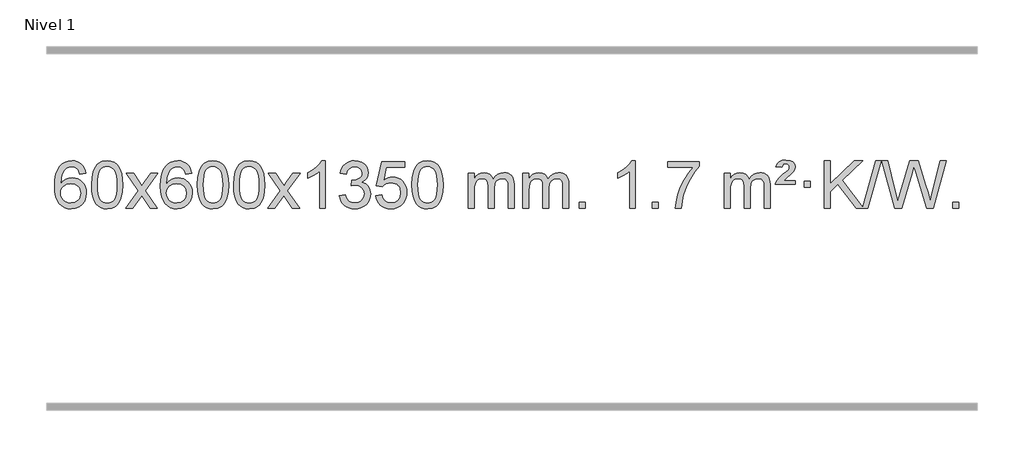
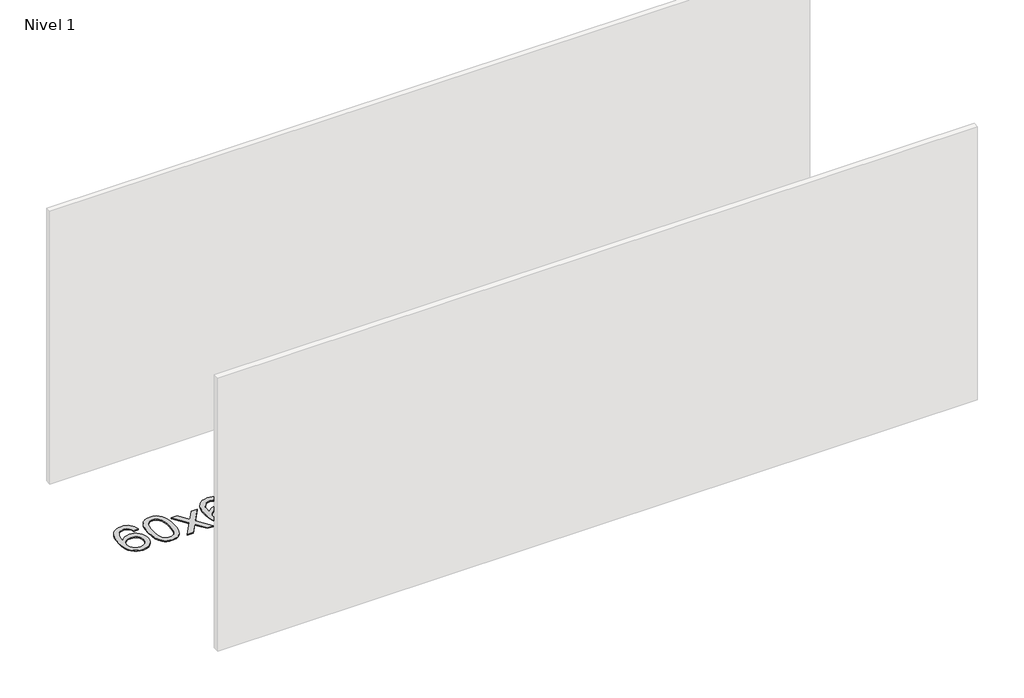
# One storey, part 13 of 16: 1 proxy.
"""IFC4 building model written with IfcOpenShell, lengths in millimetres."""

from ifc_helpers import new_model, si_unit, origin, origin_with_axes, place, context, project, spatial, polyline, outline, extrude, element, save

model = new_model("IFC4")

# Units and contexts
model_context = context("Model", 3, world=origin())
ifc_project = project(units=[si_unit("LENGTHUNIT", "METRE", prefix="MILLI")], contexts=[model_context])

# Site, building, storey
site = spatial("IfcSite", under=ifc_project)
building = spatial("IfcBuilding", under=site)
storey = spatial("IfcBuildingStorey", under=building, Name="Nivel 1", Elevation=0.0)

# Proxy
placement = place(None, origin())
element("IfcBuildingElementProxy", 1, Name="Texto de modelo 1", ObjectType="Texto de modelo 1", at=placement, inside=storey, context=model_context, shape_type="SweptSolid", body=[
    extrude(outline(polyline([(101.2495843, -3100.4890419), (51.0214292, -3106.7675613), (42.9280253, -3081.874213), (31.9896673, -3064.8780648), (9.2055091, -3049.2062918), (-18.3365896, -3043.9823675), (-41.6848336, -3047.0235253), (-63.6596514, -3056.1469988), (-82.5319978, -3075.3627017), (-97.9462534, -3101.8134171), (-108.3573138, -3139.227016), (-112.2200748, -3191.3313693), (-92.0724042, -3167.8237098), (-67.9270826, -3151.2567573), (-41.1330106, -3141.434308), (-13.0390889, -3138.1601582), (11.09397, -3140.398107), (33.3630935, -3147.1119534), (53.7682815, -3158.3016975), (72.309534, -3173.9673391), (87.7176582, -3193.1769106), (98.7234613, -3214.9984443), (105.3269431, -3239.4319401), (107.5281037, -3266.4773982), (103.3832999, -3302.4439945), (90.9488884, -3335.786366), (71.254939, -3364.0642287), (45.331521, -3384.8372987), (14.355857, -3397.602804), (-20.4948306, -3401.8579724), (-50.4373594, -3399.0375437), (-77.4797517, -3390.5762579), (-101.6220076, -3376.4741147), (-122.8641272, -3356.7311143), (-140.1821721, -3330.5133908), (-152.5522042, -3296.9870783), (-159.9742234, -3256.1521768), (-162.4482298, -3208.0086864), (-159.7013776, -3154.0342663), (-151.4608209, -3107.9693092), (-137.7265598, -3069.8138149), (-118.4985942, -3039.5677835), (-97.6580791, -3019.5243462), (-73.4943634, -3005.2076052), (-46.007447, -2996.6175606), (-15.1973299, -2993.7542124), (7.9363162, -2995.5261773), (28.8749331, -3000.8420722), (47.6185208, -3009.7018969), (64.1670792, -3022.1056515), (78.0730186, -3037.6364031), (88.8887493, -3055.8772186), (96.6142712, -3076.8280983), (101.2495843, -3100.4890419)]), holes=[polyline([(-112.2200748, -3265.6925832), (-109.313807, -3287.9494439), (-100.5950037, -3309.2007605), (-87.0569463, -3327.472233), (-69.6929161, -3340.7895612), (-48.7359051, -3348.9197533), (-24.4189053, -3351.6298173), (8.7272625, -3346.0134855), (22.642399, -3338.9930708), (34.7855705, -3329.1644901), (44.6356109, -3316.9262824), (51.6713541, -3302.6769865), (57.2999486, -3268.1451299), (51.7449305, -3234.9989621), (44.8011578, -3221.3781312), (35.0798761, -3209.725469), (22.8999164, -3200.3904634), (8.5801097, -3193.7226022), (-26.4790444, -3188.3883133), (-59.5761613, -3193.7226022), (-87.25315, -3209.725469), (-98.1761796, -3221.2248471), (-105.9783436, -3234.3858254), (-110.659642, -3249.2084042), (-112.2200748, -3265.6925832)])]), origin_with_axes(), (0.0, 0.0, 1.0), 10.0),
    extrude(outline(polyline([(151.4777394, -3197.9041943), (155.1688221, -3133.5861588), (166.2420701, -3082.2911459), (184.5871189, -3043.2343407), (196.4451819, -3028.0009605), (210.0936039, -3015.6309284), (225.5783702, -3006.0598651), (242.9454661, -2999.2233914), (283.3266464, -2993.7542124), (314.277785, -2996.991574), (341.9915619, -3006.7036586), (365.1681276, -3022.5103217), (382.5076323, -3044.0314184), (395.6042314, -3071.0830078), (406.05208, -3103.4811488), (412.8946851, -3144.6226186), (415.1755535, -3197.9041943), (411.521259, -3261.8543477), (400.5583756, -3313.0267333), (382.3236913, -3352.1203266), (370.4932195, -3367.3996922), (356.8539945, -3379.8341036), (341.3508341, -3389.4695462), (323.928556, -3396.3520052), (283.3266464, -3401.8579724), (255.6619204, -3399.4667394), (231.1364541, -3392.2930405), (209.7502474, -3380.3368757), (191.5033004, -3363.5982449), (173.9921175, -3333.3399508), (161.4841296, -3295.6381776), (153.9793369, -3250.4929255), (151.4777394, -3197.9041943)]), holes=[polyline([(201.7058944, -3197.8060924), (203.1774224, -3241.4706195), (207.5920064, -3276.8148822), (214.9496463, -3303.8388804), (225.2503421, -3322.5426142), (237.709279, -3335.2682656), (251.5416421, -3344.3580165), (266.7474312, -3349.8118671), (283.3266464, -3351.6298173), (299.9058617, -3349.8057357), (315.1116508, -3344.3334911), (328.9440138, -3335.2130833), (341.4029507, -3322.4445124), (351.7036466, -3303.7101217), (359.0612865, -3276.6922549), (363.4758705, -3241.3909118), (364.9473984, -3197.8060924), (363.5249214, -3155.2973278), (359.2574902, -3120.5753989), (352.145105, -3093.6403055), (342.1877657, -3074.4920476), (329.9372952, -3061.1440625), (315.9455167, -3051.6097875), (300.21243, -3045.8892225), (282.7380352, -3043.9823675), (266.2446591, -3045.6623619), (251.2963874, -3050.7023452), (237.89322, -3059.1023175), (226.0351571, -3070.8622786), (215.3911047, -3091.708925), (207.7882101, -3119.8151094), (203.2264734, -3155.1808319), (201.7058944, -3197.8060924)])]), origin_with_axes(), (0.0, 0.0, 1.0), 10.0),
    extrude(outline(polyline([(440.2896311, -3395.579453), (547.6130718, -3247.2494325), (446.5681504, -3100.4890419), (506.9988995, -3100.4890419), (555.7555266, -3171.122385), (578.5151594, -3204.4770192), (598.2336343, -3177.2047007), (653.7592901, -3100.4890419), (714.1900392, -3100.4890419), (608.0438209, -3247.2494325), (710.2659646, -3395.579453), (649.8352155, -3395.579453), (588.3253459, -3306.4048574), (577.0436314, -3290.1199477), (500.7203801, -3395.579453), (440.2896311, -3395.579453)])), origin_with_axes(), (0.0, 0.0, 1.0), 10.0),
    extrude(outline(polyline([(999.0778563, -3100.4890419), (948.8497012, -3106.7675613), (940.7562973, -3081.874213), (929.8179393, -3064.8780648), (907.0337811, -3049.2062918), (879.4916824, -3043.9823675), (856.1434384, -3047.0235253), (834.1686206, -3056.1469988), (815.2962742, -3075.3627017), (799.8820186, -3101.8134171), (789.4709581, -3139.227016), (785.6081972, -3191.3313693), (805.7558678, -3167.8237098), (829.9011894, -3151.2567573), (856.6952614, -3141.434308), (884.7891831, -3138.1601582), (908.922242, -3140.398107), (931.1913654, -3147.1119534), (951.5965534, -3158.3016975), (970.137806, -3173.9673391), (985.5459302, -3193.1769106), (996.5517332, -3214.9984443), (1003.155215, -3239.4319401), (1005.3563756, -3266.4773982), (1001.2115718, -3302.4439945), (988.7771604, -3335.786366), (969.0832109, -3364.0642287), (943.159793, -3384.8372987), (912.184129, -3397.602804), (877.3334413, -3401.8579724), (847.3909126, -3399.0375437), (820.3485203, -3390.5762579), (796.2062643, -3376.4741147), (774.9641448, -3356.7311143), (757.6460999, -3330.5133908), (745.2760678, -3296.9870783), (737.8540485, -3256.1521768), (735.3800421, -3208.0086864), (738.1268943, -3154.0342663), (746.367451, -3107.9693092), (760.1017122, -3069.8138149), (779.3296778, -3039.5677835), (800.1701928, -3019.5243462), (824.3339085, -3005.2076052), (851.820825, -2996.6175606), (882.6309421, -2993.7542124), (905.7645882, -2995.5261773), (926.7032051, -3000.8420722), (945.4467927, -3009.7018969), (961.9953511, -3022.1056515), (975.9012906, -3037.6364031), (986.7170212, -3055.8772186), (994.4425431, -3076.8280983), (999.0778563, -3100.4890419)]), holes=[polyline([(785.6081972, -3265.6925832), (788.514465, -3287.9494439), (797.2332682, -3309.2007605), (810.7713257, -3327.472233), (828.1353558, -3340.7895612), (849.0923668, -3348.9197533), (873.4093667, -3351.6298173), (906.5555345, -3346.0134855), (920.4706709, -3338.9930708), (932.6138425, -3329.1644901), (942.4638829, -3316.9262824), (949.499626, -3302.6769865), (955.1282206, -3268.1451299), (949.5732024, -3234.9989621), (942.6294298, -3221.3781312), (932.9081481, -3209.725469), (920.7281883, -3200.3904634), (906.4083817, -3193.7226022), (871.3492275, -3188.3883133), (838.2521107, -3193.7226022), (810.5751219, -3209.725469), (799.6520924, -3221.2248471), (791.8499284, -3234.3858254), (787.16863, -3249.2084042), (785.6081972, -3265.6925832)])]), origin_with_axes(), (0.0, 0.0, 1.0), 10.0),
    extrude(outline(polyline([(1049.3060113, -3197.9041943), (1052.997094, -3133.5861588), (1064.0703421, -3082.2911459), (1082.4153909, -3043.2343407), (1094.2734539, -3028.0009605), (1107.9218759, -3015.6309284), (1123.4066422, -3006.0598651), (1140.7737381, -2999.2233914), (1181.1549184, -2993.7542124), (1212.1060569, -2996.991574), (1239.8198339, -3006.7036586), (1262.9963996, -3022.5103217), (1280.3359043, -3044.0314184), (1293.4325033, -3071.0830078), (1303.880352, -3103.4811488), (1310.7229571, -3144.6226186), (1313.0038255, -3197.9041943), (1309.349531, -3261.8543477), (1298.3866475, -3313.0267333), (1280.1519633, -3352.1203266), (1268.3214915, -3367.3996922), (1254.6822665, -3379.8341036), (1239.1791061, -3389.4695462), (1221.7568279, -3396.3520052), (1181.1549184, -3401.8579724), (1153.4901924, -3399.4667394), (1128.964726, -3392.2930405), (1107.5785194, -3380.3368757), (1089.3315724, -3363.5982449), (1071.8203894, -3333.3399508), (1059.3124016, -3295.6381776), (1051.8076089, -3250.4929255), (1049.3060113, -3197.9041943)]), holes=[polyline([(1099.5341664, -3197.8060924), (1101.0056944, -3241.4706195), (1105.4202783, -3276.8148822), (1112.7779182, -3303.8388804), (1123.0786141, -3322.5426142), (1135.537551, -3335.2682656), (1149.369914, -3344.3580165), (1164.5757032, -3349.8118671), (1181.1549184, -3351.6298173), (1197.7341337, -3349.8057357), (1212.9399228, -3344.3334911), (1226.7722858, -3335.2130833), (1239.2312227, -3322.4445124), (1249.5319186, -3303.7101217), (1256.8895585, -3276.6922549), (1261.3041424, -3241.3909118), (1262.7756704, -3197.8060924), (1261.3531934, -3155.2973278), (1257.0857622, -3120.5753989), (1249.973377, -3093.6403055), (1240.0160376, -3074.4920476), (1227.7655672, -3061.1440625), (1213.7737886, -3051.6097875), (1198.040702, -3045.8892225), (1180.5663072, -3043.9823675), (1164.0729311, -3045.6623619), (1149.1246594, -3050.7023452), (1135.721492, -3059.1023175), (1123.863429, -3070.8622786), (1113.2193766, -3091.708925), (1105.6164821, -3119.8151094), (1101.0547453, -3155.1808319), (1099.5341664, -3197.8060924)])]), origin_with_axes(), (0.0, 0.0, 1.0), 10.0),
    extrude(outline(polyline([(1356.9534612, -3197.9041943), (1360.6445439, -3133.5861588), (1371.7177919, -3082.2911459), (1390.0628407, -3043.2343407), (1401.9209037, -3028.0009605), (1415.5693257, -3015.6309284), (1431.054092, -3006.0598651), (1448.4211879, -2999.2233914), (1488.8023682, -2993.7542124), (1519.7535068, -2996.991574), (1547.4672837, -3006.7036586), (1570.6438494, -3022.5103217), (1587.9833541, -3044.0314184), (1601.0799532, -3071.0830078), (1611.5278018, -3103.4811488), (1618.3704069, -3144.6226186), (1620.6512753, -3197.9041943), (1616.9969808, -3261.8543477), (1606.0340974, -3313.0267333), (1587.7994131, -3352.1203266), (1575.9689413, -3367.3996922), (1562.3297163, -3379.8341036), (1546.8265559, -3389.4695462), (1529.4042778, -3396.3520052), (1488.8023682, -3401.8579724), (1461.1376422, -3399.4667394), (1436.6121759, -3392.2930405), (1415.2259692, -3380.3368757), (1396.9790222, -3363.5982449), (1379.4678393, -3333.3399508), (1366.9598514, -3295.6381776), (1359.4550587, -3250.4929255), (1356.9534612, -3197.9041943)]), holes=[polyline([(1407.1816162, -3197.8060924), (1408.6531442, -3241.4706195), (1413.0677282, -3276.8148822), (1420.4253681, -3303.8388804), (1430.7260639, -3322.5426142), (1443.1850008, -3335.2682656), (1457.0173639, -3344.3580165), (1472.223153, -3349.8118671), (1488.8023682, -3351.6298173), (1505.3815835, -3349.8057357), (1520.5873726, -3344.3334911), (1534.4197356, -3335.2130833), (1546.8786725, -3322.4445124), (1557.1793684, -3303.7101217), (1564.5370083, -3276.6922549), (1568.9515923, -3241.3909118), (1570.4231202, -3197.8060924), (1569.0006432, -3155.2973278), (1564.733212, -3120.5753989), (1557.6208268, -3093.6403055), (1547.6634875, -3074.4920476), (1535.413017, -3061.1440625), (1521.4212385, -3051.6097875), (1505.6881518, -3045.8892225), (1488.213757, -3043.9823675), (1471.7203809, -3045.6623619), (1456.7721092, -3050.7023452), (1443.3689418, -3059.1023175), (1431.5108789, -3070.8622786), (1420.8668265, -3091.708925), (1413.2639319, -3119.8151094), (1408.7021952, -3155.1808319), (1407.1816162, -3197.8060924)])]), origin_with_axes(), (0.0, 0.0, 1.0), 10.0),
    extrude(outline(polyline([(1645.7653528, -3395.579453), (1753.0887936, -3247.2494325), (1652.0438722, -3100.4890419), (1712.4746213, -3100.4890419), (1761.2312484, -3171.122385), (1783.9908812, -3204.4770192), (1803.7093561, -3177.2047007), (1859.2350119, -3100.4890419), (1919.665761, -3100.4890419), (1813.5195426, -3247.2494325), (1915.7416864, -3395.579453), (1855.3109373, -3395.579453), (1793.8010677, -3306.4048574), (1782.5193532, -3290.1199477), (1706.1961019, -3395.579453), (1645.7653528, -3395.579453)])), origin_with_axes(), (0.0, 0.0, 1.0), 10.0),
    extrude(outline(polyline([(2135.4898648, -3395.579453), (2085.2617098, -3395.579453), (2085.2617098, -3082.4382987), (2064.292436, -3099.3976587), (2037.682305, -3116.3324932), (1984.8053996, -3141.6918254), (1984.8053996, -3094.2105225), (2024.2546122, -3072.7507395), (2058.4308496, -3047.219729), (2085.3720743, -3020.0700378), (2103.1162492, -2993.7542124), (2135.4898648, -2993.7542124), (2135.4898648, -3395.579453)])), origin_with_axes(), (0.0, 0.0, 1.0), 10.0),
    extrude(outline(polyline([(2254.7817331, -3288.8446235), (2305.0098882, -3282.5661041), (2316.2548145, -3314.1303793), (2332.7236652, -3335.4430095), (2355.2257805, -3347.5831154), (2384.570501, -3351.6298173), (2419.0042558, -3346.0625364), (2433.2780772, -3339.1034354), (2445.5898613, -3329.3606939), (2462.5860095, -3304.4428201), (2468.2513922, -3274.2274455), (2462.6350604, -3245.5449126), (2445.786065, -3222.2825078), (2420.27958, -3206.8682522), (2388.6907794, -3201.730167), (2353.4722097, -3207.2238715), (2359.064016, -3156.9957164), (2367.108369, -3157.5843276), (2397.2011162, -3153.979084), (2424.1055528, -3143.1633534), (2435.1788008, -3134.9841103), (2443.0882637, -3124.8673555), (2447.8339415, -3112.8130888), (2449.415834, -3098.8213102), (2444.8295718, -3077.1285352), (2431.0707852, -3059.5315131), (2410.076986, -3047.8696539), (2383.7856861, -3043.9823675), (2357.4453352, -3047.9064421), (2335.9119758, -3059.6786659), (2320.1911519, -3079.299039), (2311.2884076, -3106.7675613), (2261.0602525, -3100.4890419), (2267.0138095, -3076.5092672), (2275.8491087, -3055.3867093), (2287.5661503, -3037.1213683), (2302.1649341, -3021.713244), (2319.1856078, -3009.4811677), (2338.1683187, -3000.7439703), (2359.113067, -2995.5016519), (2382.0198525, -2993.7542124), (2413.5963904, -2997.2000404), (2442.5977544, -3007.5375245), (2467.0496443, -3023.8469596), (2484.9777602, -3045.2086408), (2495.9774319, -3069.8199463), (2499.6439891, -3095.8782543), (2496.1613729, -3120.1584659), (2485.7135242, -3142.1823347), (2468.4475959, -3160.9443165), (2444.5107408, -3175.4388671), (2475.9523886, -3188.1430586), (2499.2515817, -3209.77452), (2513.6725559, -3239.1560286), (2518.4795473, -3275.1103623), (2516.0760516, -3300.5923218), (2508.8655645, -3324.0631931), (2496.848086, -3345.5229762), (2480.023616, -3364.971671), (2459.5264575, -3381.1094278), (2436.4909133, -3392.636397), (2410.9169832, -3399.5525785), (2382.8046674, -3401.8579724), (2357.3962843, -3399.8898037), (2334.2442441, -3393.9852977), (2313.3485468, -3384.1444543), (2294.7091923, -3370.3672736), (2279.0803389, -3353.4630959), (2267.2161446, -3334.2412617), (2259.1166093, -3312.7017708), (2254.7817331, -3288.8446235)])), origin_with_axes(), (0.0, 0.0, 1.0), 10.0),
    extrude(outline(polyline([(2562.429183, -3288.8446235), (2612.657338, -3282.5661041), (2621.8789134, -3312.7201649), (2637.9676193, -3334.3148381), (2660.8498794, -3347.3010725), (2690.4521173, -3351.6298173), (2709.581981, -3350.1245668), (2726.4555019, -3345.6088153), (2741.0726798, -3338.0825628), (2753.4335149, -3327.5458094), (2763.2620955, -3314.519721), (2770.2825102, -3299.5254641), (2775.898842, -3263.6324441), (2770.6381295, -3229.8363514), (2764.0622388, -3215.9181493), (2754.8559919, -3203.9865099), (2742.9887319, -3194.4154467), (2728.4298019, -3187.5789729), (2691.2369322, -3182.1097939), (2666.8708814, -3184.2925604), (2647.1401437, -3190.8408599), (2631.3825316, -3200.8717757), (2618.9358574, -3213.5023908), (2568.7077023, -3207.2238715), (2612.657338, -3000.0327318), (2807.291439, -3000.0327318), (2807.291439, -3050.2608869), (2653.2715103, -3050.2608869), (2631.7872018, -3160.919791), (2649.5129826, -3148.2155994), (2667.667959, -3139.1411769), (2686.2521312, -3133.6965234), (2705.265499, -3131.8816388), (2729.726586, -3134.1318504), (2752.1949788, -3140.882485), (2772.6706775, -3152.1335427), (2791.1536821, -3167.8850234), (2806.4545074, -3187.1743027), (2817.3836684, -3209.038756), (2823.9411649, -3233.4783832), (2826.1269971, -3260.4931844), (2824.1588284, -3286.5147042), (2818.2543224, -3310.7213394), (2808.413479, -3333.1130902), (2794.6362983, -3353.6899565), (2773.7651265, -3374.7634634), (2749.4113384, -3389.8159684), (2721.5749341, -3398.8474714), (2690.2559136, -3401.8579724), (2664.3355613, -3399.9235262), (2640.922938, -3394.1201877), (2620.0180436, -3384.447957), (2601.6208782, -3370.9068338), (2586.3139215, -3354.1712688), (2574.6796534, -3334.915712), (2566.7180739, -3313.1401636), (2562.429183, -3288.8446235)])), origin_with_axes(), (0.0, 0.0, 1.0), 10.0),
    extrude(outline(polyline([(2870.0766328, -3197.9041943), (2873.7677155, -3133.5861588), (2884.8409635, -3082.2911459), (2903.1860124, -3043.2343407), (2915.0440753, -3028.0009605), (2928.6924974, -3015.6309284), (2944.1772637, -3006.0598651), (2961.5443595, -2999.2233914), (3001.9255399, -2993.7542124), (3032.8766784, -2996.991574), (3060.5904554, -3006.7036586), (3083.7670211, -3022.5103217), (3101.1065258, -3044.0314184), (3114.2031248, -3071.0830078), (3124.6509735, -3103.4811488), (3131.4935786, -3144.6226186), (3133.7744469, -3197.9041943), (3130.1201525, -3261.8543477), (3119.157269, -3313.0267333), (3100.9225848, -3352.1203266), (3089.0921129, -3367.3996922), (3075.452888, -3379.8341036), (3059.9497276, -3389.4695462), (3042.5274494, -3396.3520052), (3001.9255399, -3401.8579724), (2974.2608138, -3399.4667394), (2949.7353475, -3392.2930405), (2928.3491408, -3380.3368757), (2910.1021939, -3363.5982449), (2892.5910109, -3333.3399508), (2880.0830231, -3295.6381776), (2872.5782304, -3250.4929255), (2870.0766328, -3197.9041943)]), holes=[polyline([(2920.3047879, -3197.8060924), (2921.7763158, -3241.4706195), (2926.1908998, -3276.8148822), (2933.5485397, -3303.8388804), (2943.8492356, -3322.5426142), (2956.3081725, -3335.2682656), (2970.1405355, -3344.3580165), (2985.3463246, -3349.8118671), (3001.9255399, -3351.6298173), (3018.5047551, -3349.8057357), (3033.7105442, -3344.3334911), (3047.5429073, -3335.2130833), (3060.0018442, -3322.4445124), (3070.30254, -3303.7101217), (3077.6601799, -3276.6922549), (3082.0747639, -3241.3909118), (3083.5462919, -3197.8060924), (3082.1238148, -3155.2973278), (3077.8563837, -3120.5753989), (3070.7439984, -3093.6403055), (3060.7866591, -3074.4920476), (3048.5361887, -3061.1440625), (3034.5444101, -3051.6097875), (3018.8113234, -3045.8892225), (3001.3369287, -3043.9823675), (2984.8435526, -3045.6623619), (2969.8952808, -3050.7023452), (2956.4921135, -3059.1023175), (2944.6340505, -3070.8622786), (2933.9899981, -3091.708925), (2926.3871035, -3119.8151094), (2921.8253668, -3155.1808319), (2920.3047879, -3197.8060924)])]), origin_with_axes(), (0.0, 0.0, 1.0), 10.0),
    extrude(outline(polyline([(3347.244106, -3395.579453), (3347.244106, -3100.4890419), (3397.4722611, -3100.4890419), (3397.4722611, -3149.0494653), (3412.5799483, -3126.7435537), (3432.0041177, -3109.2691589), (3455.0825815, -3097.9751816), (3481.1531522, -3094.2105225), (3509.0876584, -3098.048758), (3531.4794092, -3109.5634645), (3548.2057772, -3127.9943524), (3559.1441352, -3152.5811324), (3577.4523959, -3127.0439906), (3598.3358304, -3108.803175), (3621.794439, -3097.8586857), (3647.8282215, -3094.2105225), (3667.9360383, -3095.7280358), (3685.585177, -3100.2805755), (3700.7756377, -3107.8681416), (3713.5074204, -3118.4907342), (3723.5720587, -3132.2709806), (3730.761086, -3149.3315082), (3735.0745024, -3169.6723168), (3736.5123078, -3193.2934066), (3736.5123078, -3395.579453), (3686.2841528, -3395.579453), (3686.2841528, -3214.875817), (3685.1191931, -3189.8230531), (3681.6243142, -3172.9372695), (3675.0760146, -3161.3735121), (3664.7507933, -3152.2868268), (3651.4702533, -3146.4007149), (3636.0559977, -3144.4386776), (3608.8449928, -3149.4663982), (3586.6617085, -3164.54956), (3578.0563355, -3176.1194488), (3571.9096405, -3190.7182326), (3566.9922845, -3229.0024856), (3566.9922845, -3395.579453), (3516.7641294, -3395.579453), (3516.7641294, -3209.2840106), (3513.8578616, -3180.8835206), (3505.1390583, -3160.6254854), (3489.7983791, -3148.4853796), (3467.0264836, -3144.4386776), (3447.6758907, -3147.1364789), (3429.8458767, -3155.2298828), (3415.1305968, -3168.5226856), (3405.1242066, -3186.8186835), (3399.3852475, -3212.2025411), (3397.4722611, -3246.7589232), (3397.4722611, -3395.579453), (3347.244106, -3395.579453)])), origin_with_axes(), (0.0, 0.0, 1.0), 10.0),
    extrude(outline(polyline([(3811.8545404, -3395.579453), (3811.8545404, -3100.4890419), (3862.0826955, -3100.4890419), (3862.0826955, -3149.0494653), (3877.1903828, -3126.7435537), (3896.6145521, -3109.2691589), (3919.693016, -3097.9751816), (3945.7635867, -3094.2105225), (3973.6980929, -3098.048758), (3996.0898436, -3109.5634645), (4012.8162117, -3127.9943524), (4023.7545697, -3152.5811324), (4042.0628303, -3127.0439906), (4062.9462649, -3108.803175), (4086.4048734, -3097.8586857), (4112.438656, -3094.2105225), (4132.5464727, -3095.7280358), (4150.1956114, -3100.2805755), (4165.3860721, -3107.8681416), (4178.1178548, -3118.4907342), (4188.1824931, -3132.2709806), (4195.3715204, -3149.3315082), (4199.6849368, -3169.6723168), (4201.1227423, -3193.2934066), (4201.1227423, -3395.579453), (4150.8945872, -3395.579453), (4150.8945872, -3214.875817), (4149.7296276, -3189.8230531), (4146.2347486, -3172.9372695), (4139.6864491, -3161.3735121), (4129.3612278, -3152.2868268), (4116.0806877, -3146.4007149), (4100.6664321, -3144.4386776), (4073.4554272, -3149.4663982), (4051.2721429, -3164.54956), (4042.6667699, -3176.1194488), (4036.5200749, -3190.7182326), (4031.6027189, -3229.0024856), (4031.6027189, -3395.579453), (3981.3745638, -3395.579453), (3981.3745638, -3209.2840106), (3978.4682961, -3180.8835206), (3969.7494928, -3160.6254854), (3954.4088136, -3148.4853796), (3931.6369181, -3144.4386776), (3912.2863251, -3147.1364789), (3894.4563111, -3155.2298828), (3879.7410313, -3168.5226856), (3869.734641, -3186.8186835), (3863.9956819, -3212.2025411), (3862.0826955, -3246.7589232), (3862.0826955, -3395.579453), (3811.8545404, -3395.579453)])), origin_with_axes(), (0.0, 0.0, 1.0), 10.0),
    extrude(outline(polyline([(4289.0220137, -3395.579453), (4289.0220137, -3345.3512979), (4339.2501687, -3345.3512979), (4339.2501687, -3395.579453), (4289.0220137, -3395.579453)])), origin_with_axes(), (0.0, 0.0, 1.0), 10.0),
    extrude(outline(polyline([(4766.1894869, -3395.579453), (4715.9613318, -3395.579453), (4715.9613318, -3082.4382987), (4694.9920581, -3099.3976587), (4668.3819271, -3116.3324932), (4615.5050216, -3141.6918254), (4615.5050216, -3094.2105225), (4654.9542343, -3072.7507395), (4689.1304716, -3047.219729), (4716.0716964, -3020.0700378), (4733.8158713, -2993.7542124), (4766.1894869, -2993.7542124), (4766.1894869, -3395.579453)])), origin_with_axes(), (0.0, 0.0, 1.0), 10.0),
    extrude(outline(polyline([(4910.5954327, -3395.579453), (4910.5954327, -3345.3512979), (4960.8235878, -3345.3512979), (4960.8235878, -3395.579453), (4910.5954327, -3395.579453)])), origin_with_axes(), (0.0, 0.0, 1.0), 10.0),
    extrude(outline(polyline([(5042.4443398, -3050.2608869), (5042.4443398, -3000.0327318), (5306.1421539, -3000.0327318), (5306.1421539, -3040.646904), (5268.5568767, -3088.214046), (5231.3394816, -3148.7061088), (5198.5121449, -3216.6048623), (5174.0970431, -3286.3920768), (5162.1286155, -3338.6067947), (5155.4576887, -3395.579453), (5105.2295336, -3395.579453), (5110.6619244, -3343.8061935), (5125.1932632, -3282.2717985), (5148.4311426, -3217.0463207), (5179.983155, -3154.1998132), (5216.8204055, -3097.3865704), (5255.9139988, -3050.2608869), (5042.4443398, -3050.2608869)])), origin_with_axes(), (0.0, 0.0, 1.0), 10.0),
    extrude(outline(polyline([(5519.611813, -3395.579453), (5519.611813, -3100.4890419), (5569.8399681, -3100.4890419), (5569.8399681, -3149.0494653), (5584.9476553, -3126.7435537), (5604.3718247, -3109.2691589), (5627.4502885, -3097.9751816), (5653.5208592, -3094.2105225), (5681.4553654, -3098.048758), (5703.8471162, -3109.5634645), (5720.5734842, -3127.9943524), (5731.5118422, -3152.5811324), (5749.8201028, -3127.0439906), (5770.7035374, -3108.803175), (5794.162146, -3097.8586857), (5820.1959285, -3094.2105225), (5840.3037452, -3095.7280358), (5857.952884, -3100.2805755), (5873.1433447, -3107.8681416), (5885.8751274, -3118.4907342), (5895.9397656, -3132.2709806), (5903.128793, -3149.3315082), (5907.4422094, -3169.6723168), (5908.8800148, -3193.2934066), (5908.8800148, -3395.579453), (5858.6518597, -3395.579453), (5858.6518597, -3214.875817), (5857.4869001, -3189.8230531), (5853.9920211, -3172.9372695), (5847.4437216, -3161.3735121), (5837.1185003, -3152.2868268), (5823.8379603, -3146.4007149), (5808.4237047, -3144.4386776), (5781.2126998, -3149.4663982), (5759.0294155, -3164.54956), (5750.4240424, -3176.1194488), (5744.2773474, -3190.7182326), (5739.3599914, -3229.0024856), (5739.3599914, -3395.579453), (5689.1318364, -3395.579453), (5689.1318364, -3209.2840106), (5686.2255686, -3180.8835206), (5677.5067653, -3160.6254854), (5662.1660861, -3148.4853796), (5639.3941906, -3144.4386776), (5620.0435977, -3147.1364789), (5602.2135836, -3155.2298828), (5587.4983038, -3168.5226856), (5577.4919136, -3186.8186835), (5571.7529544, -3212.2025411), (5569.8399681, -3246.7589232), (5569.8399681, -3395.579453), (5519.611813, -3395.579453)])), origin_with_axes(), (0.0, 0.0, 1.0), 10.0),
    extrude(outline(polyline([(5952.8296505, -3194.6668327), (5956.6556233, -3178.8479069), (5964.9942818, -3162.9799302), (5986.5031158, -3137.8413272), (6018.4597984, -3110.1030247), (6062.6056379, -3072.726214), (6069.7425486, -3061.1992448), (6072.1215188, -3049.3779701), (6070.2330579, -3037.2869152), (6064.5676752, -3027.5012541), (6055.198947, -3021.026531), (6042.2004499, -3018.8682899), (6029.7660384, -3020.4869707), (6020.9123451, -3025.343013), (6014.4866729, -3034.8098431), (6009.336325, -3050.2608869), (5959.1081699, -3043.9823675), (5969.948426, -3018.7701881), (5986.5766922, -3001.2099542), (6010.3418691, -2990.9092583), (6042.5928573, -2987.475693), (6078.3755127, -2991.6082341), (6103.1217083, -3004.0058573), (6117.5426825, -3022.3386434), (6122.3496739, -3044.2766731), (6118.253921, -3067.1834586), (6105.9666624, -3088.8149199), (6085.438847, -3108.6314968), (6048.9694786, -3136.6886303), (6023.3648917, -3163.2742358), (6122.3496739, -3163.2742358), (6122.3496739, -3194.6668327), (5952.8296505, -3194.6668327)])), origin_with_axes(), (0.0, 0.0, 1.0), 10.0),
    extrude(outline(polyline([(6197.6919065, -3219.7809102), (6197.6919065, -3169.5527552), (6247.9200616, -3169.5527552), (6247.9200616, -3219.7809102), (6197.6919065, -3219.7809102)])), origin_with_axes(), (0.0, 0.0, 1.0), 10.0),
    extrude(outline(polyline([(6638.5616895, -3395.579453), (6485.1303721, -3192.9009991), (6417.440085, -3257.4520265), (6417.440085, -3395.579453), (6367.2119299, -3395.579453), (6367.2119299, -2993.7542124), (6417.440085, -2993.7542124), (6417.440085, -3190.4484525), (6623.4540023, -2993.7542124), (6693.6949379, -2993.7542124), (6520.7413492, -3158.9577537), (6695.3949591, -3389.5349332), (6806.7082868, -2993.7542124), (6852.0313486, -2993.7542124), (6739.0179997, -3395.579453), (6699.9734572, -3395.579453), (6693.6949379, -3395.579453), (6638.5616895, -3395.579453)])), origin_with_axes(), (0.0, 0.0, 1.0), 10.0),
    extrude(outline(polyline([(6966.5162255, -3395.579453), (6856.9364419, -2993.7542124), (6908.7342268, -2993.7542124), (6972.3042355, -3257.844434), (6991.9246086, -3339.3670841), (7012.9184078, -3267.2622131), (7092.5771225, -2993.7542124), (7167.2326421, -2993.7542124), (7225.1127426, -3192.0180823), (7249.9079891, -3265.5944814), (7268.1794615, -3339.3670841), (7287.2112234, -3260.1988788), (7351.3698434, -2993.7542124), (7403.1676283, -2993.7542124), (7293.4897428, -3395.579453), (7239.8280224, -3395.579453), (7143.4919906, -3085.5775584), (7130.0520351, -3042.3146358), (7114.9443478, -3094.4067263), (7027.1431783, -3395.579453), (6966.5162255, -3395.579453)])), origin_with_axes(), (0.0, 0.0, 1.0), 10.0),
    extrude(outline(polyline([(7459.6743028, -3395.579453), (7459.6743028, -3345.3512979), (7509.9024578, -3345.3512979), (7509.9024578, -3395.579453), (7459.6743028, -3395.579453)])), origin_with_axes(), (0.0, 0.0, 1.0), 10.0),
])

save(model, "model.ifc")
